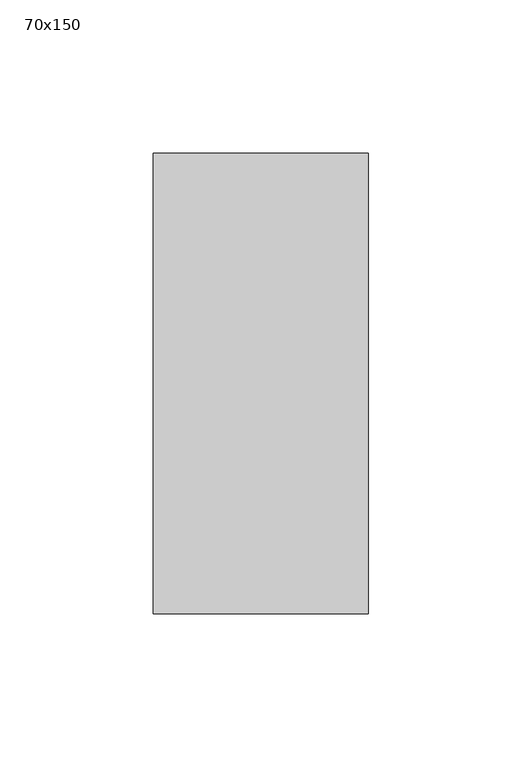
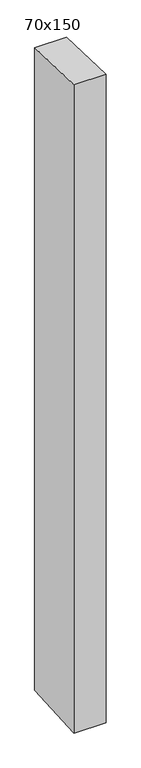
"""IFC4 building model written with IfcOpenShell, lengths in millimetres: member geometry, 70x150."""

from ifc_helpers import new_model, si_unit, frame, origin, place, context, project, spatial, polyline, outline, extrude, source, transform, mapped, element, save


def member_70x150_afa51694(model_context):
    return source(origin(), model_context, "Body", "SweptSolid", [
        extrude(outline(polyline([(-75.0, 2.4560751), (75.0, -2.4560751), (75.0, -1495.9441333), (-75.0, -1504.0487431), (-75.0, 2.4560751)])), frame((-70.0, 0.0, 0.0), z_axis=(1.0, 0.0, 0.0), x_axis=(0.0, 1.0, 0.0)), (0.0, 0.0, 1.0), 70.0),
    ])


if __name__ == "__main__":
    model = new_model("IFC4")
    model_context = context("Model", 3, world=origin())
    ifc_project = project(units=[si_unit("LENGTHUNIT", "METRE", prefix="MILLI")], contexts=[model_context])
    site = spatial("IfcSite", under=ifc_project)
    building = spatial("IfcBuilding", under=site)
    placement = place(None, origin())
    member_70x150_shape = member_70x150_afa51694(model_context)
    element("IfcMember", 1, ObjectType="70x150", at=placement, inside=building, context=model_context, shape_type="MappedRepresentation", body=[
        mapped(member_70x150_shape, transform((0.0, 0.0, 0.0), x_axis=(1.0, 0.0, 0.0), y_axis=(0.0, 1.0, 0.0), z_axis=(0.0, 0.0, 1.0))),
    ])
    save(model, "model.ifc")
